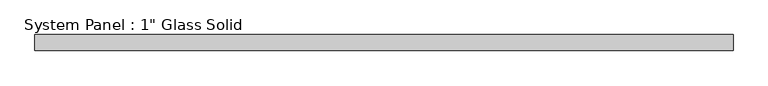
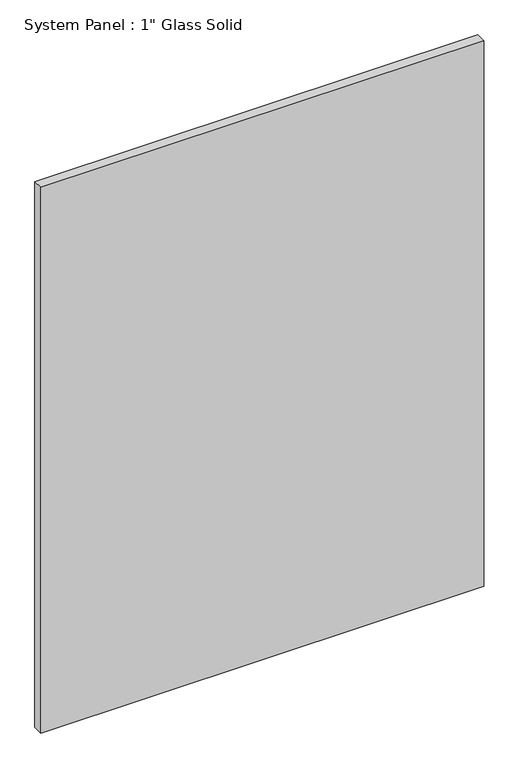
"""IFC4 building model written with IfcOpenShell, lengths in millimetres: plate geometry."""

from ifc_helpers import new_model, si_unit, origin, origin_with_axes, place, context, project, spatial, polyline, outline, extrude, source, transform, mapped, element, save


def plate_3f53691c(model_context):
    return source(origin(), model_context, "Body", "SweptSolid", [
        extrude(outline(polyline([(553.0305865, -12.7), (-553.0305865, -12.7), (-553.0305865, 12.7), (553.0305865, 12.7), (553.0305865, -12.7)])), origin_with_axes(), (0.0, 0.0, 1.0), 1440.1817704),
    ])


if __name__ == "__main__":
    model = new_model("IFC4")
    model_context = context("Model", 3, world=origin())
    ifc_project = project(units=[si_unit("LENGTHUNIT", "METRE", prefix="MILLI")], contexts=[model_context])
    site = spatial("IfcSite", under=ifc_project)
    building = spatial("IfcBuilding", under=site)
    placement = place(None, origin())
    plate_shape = plate_3f53691c(model_context)
    element("IfcPlate", 1, ObjectType="System Panel : 1\" Glass Solid", at=placement, inside=building, context=model_context, shape_type="MappedRepresentation", body=[
        mapped(plate_shape, transform((0.0, 0.0, 0.0), x_axis=(1.0, 0.0, 0.0), y_axis=(0.0, 1.0, 0.0), z_axis=(0.0, 0.0, 1.0))),
    ])
    save(model, "model.ifc")
